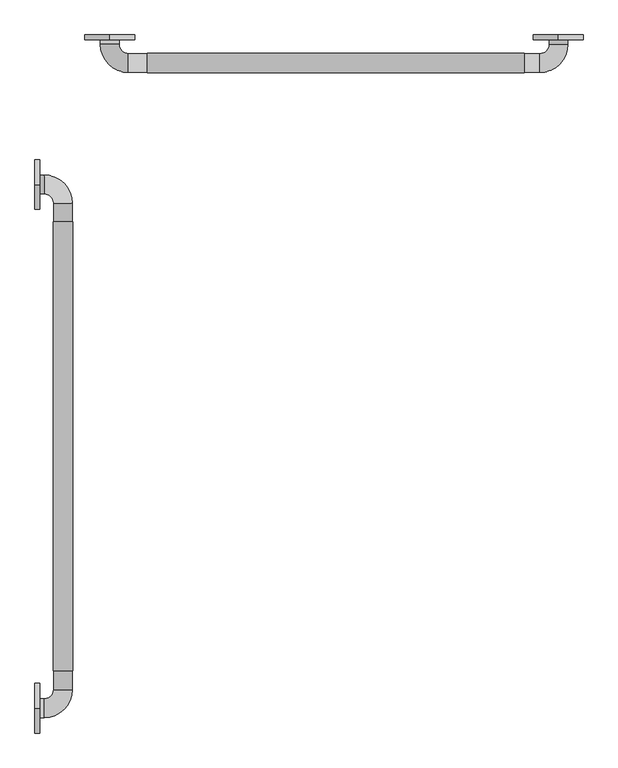
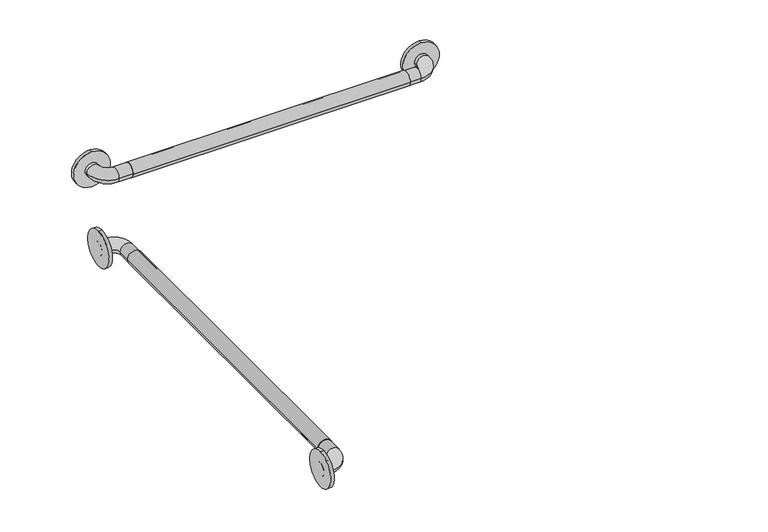
"""IFC4 building model written with IfcOpenShell, lengths in millimetres: proxy geometry."""

import ifcopenshell
import ifcopenshell.guid

model = None  # the IFC model being written
_history = None  # IfcOwnerHistory: only IFC2X3 demands one
_inside = {}  # id of a spatial element -> (the spatial element, [elements in it])
_under = {}  # id of a project, library or spatial element -> (it, [spatial elements below it])
_declared = {}  # id of a project -> (the project, [libraries it declares])
_typed = {}  # id of a type object -> (the type object, [elements of that type])
_made_of = {}  # id of a material, layer set ... -> (it, [elements and type objects made of it])


def new_model(schema):
    """Start an empty IFC model of exactly this schema.

    Asked for "IFC4X3", IfcOpenShell would pick the latest addendum, in which some entities
    have other attributes; the version numbers below select the first issue.
    IFC2X3 requires an IfcOwnerHistory on every rooted entity: one is made here for all.
    """
    global model, _history
    if schema == "IFC4X3":
        model = ifcopenshell.file(schema_version=(4, 3, 0, 0))
    else:
        model = ifcopenshell.file(schema=schema)
    _inside.clear()
    _under.clear()
    _declared.clear()
    _typed.clear()
    _made_of.clear()
    _history = None
    if model.schema == "IFC2X3":
        org = make("IfcOrganization", Name="unknown")
        user = make(
            "IfcPersonAndOrganization",
            ThePerson=make("IfcPerson", FamilyName="unknown"),
            TheOrganization=org,
        )
        app = make(
            "IfcApplication",
            ApplicationDeveloper=org,
            Version="unknown",
            ApplicationFullName="unknown",
            ApplicationIdentifier="unknown",
        )
        _history = make(
            "IfcOwnerHistory",
            OwningUser=user,
            OwningApplication=app,
            ChangeAction="ADDED",
            CreationDate=0,
        )
    return model


def make(cls, **values):
    """One entity of the class cls with the attributes given. An attribute that is None is left unset."""
    return model.create_entity(
        cls, **{name: value for name, value in values.items() if value is not None}
    )


def rooted(cls, **values):
    """An entity with a GlobalId (a new one), such as an element, a storey or a relation."""
    return make(cls, GlobalId=ifcopenshell.guid.new(), OwnerHistory=_history, **values)


def si_unit(unit_type, name, prefix=None):
    """IfcSIUnit, for example si_unit("LENGTHUNIT", "METRE", prefix="MILLI")."""
    return make("IfcSIUnit", UnitType=unit_type, Prefix=prefix, Name=name)


def assignment(units):
    """IfcUnitAssignment: the units of a project."""
    return None if units is None else make("IfcUnitAssignment", Units=units)


def point(xyz):
    """IfcCartesianPoint."""
    return None if xyz is None else make("IfcCartesianPoint", Coordinates=xyz)


def direction(xyz):
    """IfcDirection."""
    return None if xyz is None else make("IfcDirection", DirectionRatios=xyz)


def frame(location, z_axis=None, x_axis=None):
    """IfcAxis2Placement3D, a coordinate frame: its origin and axes. An axis left out is left unset."""
    return make(
        "IfcAxis2Placement3D",
        Location=point(location),
        Axis=direction(z_axis),
        RefDirection=direction(x_axis),
    )


def frame_2d(location, x_axis=None):
    """IfcAxis2Placement2D, a coordinate frame in the plane: its origin and x axis."""
    return make(
        "IfcAxis2Placement2D", Location=point(location), RefDirection=direction(x_axis)
    )


def origin():
    """The frame at (0, 0, 0) with its axes left unset."""
    return frame((0.0, 0.0, 0.0))


def place(relative_to, where):
    """IfcLocalPlacement: puts the frame where relative to a parent placement (None: the world)."""
    return make(
        "IfcLocalPlacement", PlacementRelTo=relative_to, RelativePlacement=where
    )


def context(
    kind, dimensions, precision=None, world=None, true_north=None, identifier=None
):
    """IfcGeometricRepresentationContext, for example the 3D "Model" context."""
    return make(
        "IfcGeometricRepresentationContext",
        ContextIdentifier=identifier,
        ContextType=kind,
        CoordinateSpaceDimension=dimensions,
        Precision=precision,
        WorldCoordinateSystem=world,
        TrueNorth=true_north,
    )


def project(units=None, contexts=None):
    """IfcProject with its units and contexts."""
    return rooted(
        "IfcProject",
        Name="project",
        RepresentationContexts=contexts,
        UnitsInContext=assignment(units),
    )


def spatial(cls, under=None, at=None, **own):
    """A site, building, storey or space (cls), placed at a placement, below another one or the project."""
    s = rooted(cls, ObjectPlacement=at, **own)
    if under is not None:
        _under.setdefault(under.id(), (under, []))[1].append(s)
    return s


def circle_curve(where, radius):
    """IfcCircle in the frame where."""
    return make("IfcCircle", Position=where, Radius=radius)


def ellipse_curve(where, semi_axis1, semi_axis2):
    """IfcEllipse in the frame where."""
    return make(
        "IfcEllipse", Position=where, SemiAxis1=semi_axis1, SemiAxis2=semi_axis2
    )


def trimmed(basis, trim1, trim2, sense, master):
    """IfcTrimmedCurve: the piece of a basis curve between two trims."""
    return make(
        "IfcTrimmedCurve",
        BasisCurve=basis,
        Trim1=trim1,
        Trim2=trim2,
        SenseAgreement=sense,
        MasterRepresentation=master,
    )


def segment(curve, same_sense, transition):
    """IfcCompositeCurveSegment."""
    return make(
        "IfcCompositeCurveSegment",
        Transition=transition,
        SameSense=same_sense,
        ParentCurve=curve,
    )


def composite_curve(segments, self_intersect=None):
    """IfcCompositeCurve: segments joined end to end."""
    return make("IfcCompositeCurve", Segments=segments, SelfIntersect=self_intersect)


def outline(outer, holes=None, kind="AREA"):
    """IfcArbitraryClosedProfileDef: a profile drawn as a closed curve; with holes, ...WithVoids."""
    if holes is None:
        return make("IfcArbitraryClosedProfileDef", ProfileType=kind, OuterCurve=outer)
    return make(
        "IfcArbitraryProfileDefWithVoids",
        ProfileType=kind,
        OuterCurve=outer,
        InnerCurves=holes,
    )


def extrude(swept, where, along, depth):
    """IfcExtrudedAreaSolid: the profile swept, set in the frame where, extruded along a direction by depth."""
    return make(
        "IfcExtrudedAreaSolid",
        SweptArea=swept,
        Position=where,
        ExtrudedDirection=direction(along),
        Depth=depth,
    )


def shape(context_of_items, identifier, shape_type, items):
    """IfcShapeRepresentation: the items that make up one representation, for example the "Body"."""
    return make(
        "IfcShapeRepresentation",
        ContextOfItems=context_of_items,
        RepresentationIdentifier=identifier,
        RepresentationType=shape_type,
        Items=items,
    )


def source(mapping_origin, context_of_items, identifier, shape_type, items):
    """IfcRepresentationMap: a shape defined once, which mapped items show again and again."""
    return make(
        "IfcRepresentationMap",
        MappingOrigin=mapping_origin,
        MappedRepresentation=shape(context_of_items, identifier, shape_type, items),
    )


def transform(
    local_origin,
    x_axis=None,
    y_axis=None,
    z_axis=None,
    scale=None,
    scale2=None,
    scale3=None,
    uniform=True,
):
    """IfcCartesianTransformationOperator3D, or its non-uniform kind. x_axis, y_axis, z_axis: its Axis1, 2, 3."""
    if uniform:
        return make(
            "IfcCartesianTransformationOperator3D",
            Axis1=direction(x_axis),
            Axis2=direction(y_axis),
            LocalOrigin=point(local_origin),
            Scale=scale,
            Axis3=direction(z_axis),
        )
    return make(
        "IfcCartesianTransformationOperator3DnonUniform",
        Axis1=direction(x_axis),
        Axis2=direction(y_axis),
        LocalOrigin=point(local_origin),
        Scale=scale,
        Axis3=direction(z_axis),
        Scale2=scale2,
        Scale3=scale3,
    )


def mapped(mapping_source, mapping_target):
    """IfcMappedItem: shows the shape of a source again, moved by a transform."""
    return make(
        "IfcMappedItem", MappingSource=mapping_source, MappingTarget=mapping_target
    )


def made_of(thing, what):
    """Note that an element or type object is made of a material, layer set ...; save() writes the relation."""
    if what is not None:
        _made_of.setdefault(what.id(), (what, []))[1].append(thing)
    return thing


def element(
    cls,
    number,
    at=None,
    inside=None,
    cuts=None,
    type_object=None,
    material=None,
    context=None,
    identifier="Body",
    shape_type=None,
    held_by="IfcProductDefinitionShape",
    body=None,
    shapes=None,
    **own,
):
    """One element of the class cls, such as IfcWall. Its Tag is "e" and its number.

    at: its placement. inside: the storey or other place that contains it. cuts: it is an
    opening in that element (IfcRelVoidsElement). A single representation is given by context,
    identifier, shape_type and body (its items); several are given by shapes. held_by: the class
    of the entity that holds the representations. save() writes the other relations.
    """
    e = rooted(cls, Tag="e%d" % number, ObjectPlacement=at, **own)
    if body is not None:
        shapes = [shape(context, identifier, shape_type, body)]
    if shapes is not None:
        e.Representation = make(held_by, Representations=shapes)
    if inside is not None:
        _inside.setdefault(inside.id(), (inside, []))[1].append(e)
    if cuts is not None:
        rooted(
            "IfcRelVoidsElement", RelatingBuildingElement=cuts, RelatedOpeningElement=e
        )
    if type_object is not None:
        _typed.setdefault(type_object.id(), (type_object, []))[1].append(e)
    return made_of(e, material)


def aggregate(whole, parts):
    """IfcRelAggregates: a whole, such as a stair, and the parts it consists of."""
    return rooted("IfcRelAggregates", RelatingObject=whole, RelatedObjects=parts)


def save(model, path):
    """Write the relations noted so far, then the file.

    IfcRelAggregates (storeys below a building ...), IfcRelContainedInSpatialStructure (elements
    in a storey), IfcRelDefinesByType, IfcRelAssociatesMaterial and IfcRelDeclares: one each for
    every whole, place, type object, material and project.
    """
    for whole, parts in _under.values():
        aggregate(whole, parts)
    for where, things in _inside.values():
        rooted(
            "IfcRelContainedInSpatialStructure",
            RelatedElements=things,
            RelatingStructure=where,
        )
    for kind, things in _typed.values():
        rooted("IfcRelDefinesByType", RelatedObjects=things, RelatingType=kind)
    for what, things in _made_of.values():
        rooted("IfcRelAssociatesMaterial", RelatedObjects=things, RelatingMaterial=what)
    for by, libraries in _declared.values():
        rooted("IfcRelDeclares", RelatingContext=by, RelatedDefinitions=libraries)
    model.write(path)


def plane_surface(at):
    """IfcPlane: the flat surface through the origin of the frame at, square to its z axis."""
    return make("IfcPlane", Position=at)


def cylinder_surface(at, radius):
    """IfcCylindricalSurface: all points at the distance radius from the z axis of the frame at."""
    return make("IfcCylindricalSurface", Position=at, Radius=radius)


def revolved_surface(curve, axis_point, axis_direction):
    """IfcSurfaceOfRevolution: the curve turned about the line through axis_point along axis_direction."""
    return make(
        "IfcSurfaceOfRevolution",
        SweptCurve=make("IfcArbitraryOpenProfileDef", ProfileType="CURVE", Curve=curve),
        AxisPosition=make("IfcAxis1Placement", Location=point(axis_point), Axis=direction(axis_direction)),
    )


def advanced_brep(points, edges, surfaces, faces):
    """IfcAdvancedBrep: a solid bounded by faces that lie on surfaces and meet in shared edges.

    An edge is (start, end): straight between two places in points (the first is 0);
    or (start, end, curve); or (start, end, curve, False) where it runs against its curve.
    A face is (place in surfaces, loops), or (place, loops, False) where it looks against
    its surface's normal. A loop lists edges by number (the first is 1), with a minus sign
    where the edge is run from its end to its start. The first loop is the outer one.
    """
    corners = [point(p) for p in points]
    vertices = [make("IfcVertexPoint", VertexGeometry=c) for c in corners]
    made = []
    for start, end, *more in edges:
        made.append(
            make(
                "IfcEdgeCurve",
                EdgeStart=vertices[start],
                EdgeEnd=vertices[end],
                EdgeGeometry=more[0] if more else make("IfcPolyline", Points=[corners[start], corners[end]]),
                SameSense=more[1] if len(more) > 1 else True,
            )
        )
    hull = []
    for where, loops, *sense in faces:
        bounds = []
        for j, loop in enumerate(loops):
            ring = [make("IfcOrientedEdge", EdgeElement=made[abs(k) - 1], Orientation=k > 0) for k in loop]
            bounds.append(
                make(
                    "IfcFaceOuterBound" if j == 0 else "IfcFaceBound",
                    Bound=make("IfcEdgeLoop", EdgeList=ring),
                    Orientation=True,
                )
            )
        hull.append(make("IfcAdvancedFace", Bounds=bounds, FaceSurface=surfaces[where], SameSense=sense[0] if sense else True))
    return make("IfcAdvancedBrep", Outer=make("IfcClosedShell", CfsFaces=hull))


def generic_models_3e70ca36(model_context):
    return source(origin(), model_context, "Body", "SolidModel", [
        extrude(outline(composite_curve([segment(trimmed(circle_curve(frame_2d((889.0, 57.15)), 19.84375), [point((889.0, 76.99375))], [point((889.0, 37.30625))], False, "CARTESIAN"), True, "CONTINUOUS"), segment(trimmed(circle_curve(frame_2d((889.0, 57.15)), 19.84375), [point((889.0, 37.30625))], [point((889.0, 76.99375))], False, "CARTESIAN"), True, "CONTINUOUS")], self_intersect=False)), frame((0.0, -1357.3125, 0.0), z_axis=(0.0, 1.0, 0.0), x_axis=(0.0, 0.0, 1.0)), (0.0, 0.0, 1.0), 914.4),
        extrude(outline(composite_curve([segment(trimmed(circle_curve(frame_2d((-118.706573, 889.0)), 19.84375), [point((-98.862823, 889.0))], [point((-138.550323, 889.0))], False, "CARTESIAN"), True, "CONTINUOUS"), segment(trimmed(circle_curve(frame_2d((-118.706573, 889.0)), 19.84375), [point((-138.550323, 889.0))], [point((-98.862823, 889.0))], False, "CARTESIAN"), True, "CONTINUOUS")], self_intersect=False)), frame((228.6, 0.0, 0.0), z_axis=(1.0, 0.0, 0.0), x_axis=(0.0, 1.0, 0.0)), (0.0, 0.0, 1.0), 768.35),
        extrude(outline(composite_curve([segment(trimmed(circle_curve(frame_2d((889.0, 1065.9492842)), 50.8), [point((838.2, 1065.9492842))], [point((939.8, 1065.9492842))], False, "CARTESIAN"), True, "CONTINUOUS"), segment(trimmed(circle_curve(frame_2d((889.0, 1065.9492842)), 50.8), [point((939.8, 1065.9492842))], [point((838.2, 1065.9492842))], False, "CARTESIAN"), True, "CONTINUOUS")], self_intersect=False)), frame((0.0, -71.4375, 0.0), z_axis=(0.0, 1.0, 0.0), x_axis=(0.0, 0.0, 1.0)), (0.0, 0.0, 1.0), 9.525),
        extrude(outline(composite_curve([segment(trimmed(circle_curve(frame_2d((889.0, 152.4)), 50.8), [point((838.2, 152.4))], [point((939.8, 152.4))], False, "CARTESIAN"), True, "CONTINUOUS"), segment(trimmed(circle_curve(frame_2d((889.0, 152.4)), 50.8), [point((939.8, 152.4))], [point((838.2, 152.4))], False, "CARTESIAN"), True, "CONTINUOUS")], self_intersect=False)), frame((0.0, -71.4375, 0.0), z_axis=(0.0, 1.0, 0.0), x_axis=(0.0, 0.0, 1.0)), (0.0, 0.0, 1.0), 9.525),
        extrude(outline(composite_curve([segment(trimmed(circle_curve(frame_2d((-366.7125, 889.0)), 50.8), [point((-366.7125, 838.2))], [point((-366.7125, 939.8))], False, "CARTESIAN"), True, "CONTINUOUS"), segment(trimmed(circle_curve(frame_2d((-366.7125, 889.0)), 50.8), [point((-366.7125, 939.8))], [point((-366.7125, 838.2))], False, "CARTESIAN"), True, "CONTINUOUS")], self_intersect=False)), frame((0.0, 0.0, 0.0), z_axis=(1.0, 0.0, 0.0), x_axis=(0.0, 1.0, 0.0)), (0.0, 0.0, 1.0), 9.525),
        extrude(outline(composite_curve([segment(trimmed(circle_curve(frame_2d((-1433.5125, 889.0)), 50.8), [point((-1433.5125, 838.2))], [point((-1433.5125, 939.8))], False, "CARTESIAN"), True, "CONTINUOUS"), segment(trimmed(circle_curve(frame_2d((-1433.5125, 889.0)), 50.8), [point((-1433.5125, 939.8))], [point((-1433.5125, 838.2))], False, "CARTESIAN"), True, "CONTINUOUS")], self_intersect=False)), frame((0.0, 0.0, 0.0), z_axis=(1.0, 0.0, 0.0), x_axis=(0.0, 1.0, 0.0)), (0.0, 0.0, 1.0), 9.525),
        advanced_brep(
        [(1085.85, -61.9125, 889.0), (1047.75, -61.9125, 889.0), (1047.75, -80.9625, 889.0), (1085.85, -80.9625, 889.0), (1028.7, -100.0125, 889.0), (1028.7, -138.1125, 889.0), (190.5, -100.0125, 889.0), (190.5, -138.1125, 889.0), (171.45, -80.9625, 889.0), (133.35, -80.9625, 889.0), (133.35, -61.9125, 889.0), (171.45, -61.9125, 889.0)],
        [
            (0, 1, circle_curve(frame((1066.8, -61.9125, 889.0), z_axis=(0.0, 1.0, 0.0), x_axis=(-1.0, 0.0, 0.0)), 19.05)),
            (1, 0, circle_curve(frame((1066.8, -61.9125, 889.0), z_axis=(0.0, 1.0, 0.0), x_axis=(-1.0, 0.0, 0.0)), 19.05)),
            (1, 2),
            (2, 3, circle_curve(frame((1066.8, -80.9625, 889.0), z_axis=(0.0, 1.0, 0.0), x_axis=(-1.0, 0.0, 0.0)), 19.05)),
            (3, 0),
            (3, 2, circle_curve(frame((1066.8, -80.9625, 889.0), z_axis=(0.0, 1.0, 0.0), x_axis=(-1.0, 0.0, 0.0)), 19.05)),
            (4, 5, circle_curve(frame((1028.7, -119.0625, 889.0), z_axis=(1.0, 0.0, 0.0), x_axis=(0.0, 1.0, 0.0)), 19.05)),
            (5, 3, circle_curve(frame((1028.7, -80.9625, 889.0), z_axis=(0.0, 0.0, 1.0), x_axis=(1.0, 0.0, 0.0)), 57.15)),
            (2, 4, circle_curve(frame((1028.7, -80.9625, 889.0), z_axis=(0.0, 0.0, -1.0), x_axis=(1.0, 0.0, 0.0)), 19.05)),
            (5, 4, circle_curve(frame((1028.7, -119.0625, 889.0), z_axis=(1.0, 0.0, 0.0), x_axis=(0.0, 1.0, 0.0)), 19.05)),
            (4, 6),
            (6, 7, circle_curve(frame((190.5, -119.0625, 889.0), z_axis=(1.0, 0.0, 0.0), x_axis=(0.0, 1.0, 0.0)), 19.05)),
            (7, 5),
            (7, 6, circle_curve(frame((190.5, -119.0625, 889.0), z_axis=(1.0, 0.0, 0.0), x_axis=(0.0, 1.0, 0.0)), 19.05)),
            (8, 9, circle_curve(frame((152.4, -80.9625, 889.0), z_axis=(0.0, -1.0, 0.0), x_axis=(1.0, 0.0, 0.0)), 19.05)),
            (9, 7, circle_curve(frame((190.5, -80.9625, 889.0), z_axis=(0.0, 0.0, 1.0), x_axis=(0.0, -1.0, 0.0)), 57.15)),
            (6, 8, circle_curve(frame((190.5, -80.9625, 889.0), z_axis=(0.0, 0.0, -1.0), x_axis=(0.0, -1.0, 0.0)), 19.05)),
            (9, 8, circle_curve(frame((152.4, -80.9625, 889.0), z_axis=(0.0, -1.0, 0.0), x_axis=(1.0, 0.0, 0.0)), 19.05)),
            (10, 11, circle_curve(frame((152.4, -61.9125, 889.0), z_axis=(0.0, 1.0, 0.0), x_axis=(1.0, 0.0, 0.0)), 19.05)),
            (11, 10, circle_curve(frame((152.4, -61.9125, 889.0), z_axis=(0.0, 1.0, 0.0), x_axis=(1.0, 0.0, 0.0)), 19.05)),
            (8, 11),
            (10, 9),
        ],
        [
            plane_surface(frame((1066.8, -61.9125, 889.0), z_axis=(0.0, 1.0, 0.0), x_axis=(0.0, 0.0, 1.0))),
            cylinder_surface(frame((1066.8, -61.9125, 889.0), z_axis=(0.0, 1.0, 0.0), x_axis=(-1.0, 0.0, 0.0)), 19.05),
            revolved_surface(trimmed(ellipse_curve(frame((1066.8, -80.9625, 889.0), z_axis=(0.0, -1.0, 0.0), x_axis=(-1.0, 0.0, 0.0)), 19.05, 19.05), [point((1085.85, -80.9625, 889.0))], [point((1047.75, -80.9625, 889.0))], True, "CARTESIAN"), (1028.7, -80.9625, 889.0), (0.0, 0.0, 1.0)),
            revolved_surface(trimmed(ellipse_curve(frame((1066.8, -80.9625, 889.0), z_axis=(0.0, -1.0, 0.0), x_axis=(-1.0, 0.0, 0.0)), 19.05, 19.05), [point((1047.75, -80.9625, 889.0))], [point((1085.85, -80.9625, 889.0))], True, "CARTESIAN"), (1028.7, -80.9625, 889.0), (0.0, 0.0, 1.0)),
            cylinder_surface(frame((1028.7, -119.0625, 889.0), z_axis=(1.0, 0.0, 0.0), x_axis=(0.0, 1.0, 0.0)), 19.05),
            revolved_surface(trimmed(ellipse_curve(frame((190.5, -119.0625, 889.0), z_axis=(-1.0, 0.0, 0.0), x_axis=(0.0, 1.0, 0.0)), 19.05, 19.05), [point((190.5, -138.1125, 889.0))], [point((190.5, -100.0125, 889.0))], True, "CARTESIAN"), (190.5, -80.9625, 889.0), (0.0, 0.0, 1.0)),
            revolved_surface(trimmed(ellipse_curve(frame((190.5, -119.0625, 889.0), z_axis=(-1.0, 0.0, 0.0), x_axis=(0.0, 1.0, 0.0)), 19.05, 19.05), [point((190.5, -100.0125, 889.0))], [point((190.5, -138.1125, 889.0))], True, "CARTESIAN"), (190.5, -80.9625, 889.0), (0.0, 0.0, 1.0)),
            plane_surface(frame((152.4, -61.9125, 889.0), z_axis=(0.0, 1.0, 0.0), x_axis=(0.0, 0.0, 1.0))),
            cylinder_surface(frame((152.4, -80.9625, 889.0), z_axis=(0.0, -1.0, 0.0), x_axis=(1.0, 0.0, 0.0)), 19.05),
        ],
        [
            (0, [[1, 2]]),
            (1, [[3, 4, 5, -2]]),
            (1, [[-5, 6, -3, -1]]),
            (2, [[7, 8, -4, 9]]),
            (3, [[10, -9, -6, -8]]),
            (4, [[11, 12, 13, -7]]),
            (4, [[-13, 14, -11, -10]]),
            (5, [[15, 16, -12, 17]]),
            (6, [[18, -17, -14, -16]]),
            (7, [[19, 20]]),
            (8, [[21, -19, 22, -15]]),
            (8, [[-22, -20, -21, -18]]),
        ],
    ),
        advanced_brep(
        [(0.0, -347.6625, 889.0), (0.0, -385.7625, 889.0), (19.05, -385.7625, 889.0), (19.05, -347.6625, 889.0), (38.1, -404.8125, 889.0), (76.2, -404.8125, 889.0), (38.1, -1395.4125, 889.0), (76.2, -1395.4125, 889.0), (19.05, -1414.4625, 889.0), (19.05, -1452.5625, 889.0), (0.0, -1452.5625, 889.0), (0.0, -1414.4625, 889.0)],
        [
            (0, 1, circle_curve(frame((0.0, -366.7125, 889.0), z_axis=(-1.0, 0.0, 0.0), x_axis=(0.0, -1.0, 0.0)), 19.05)),
            (1, 0, circle_curve(frame((0.0, -366.7125, 889.0), z_axis=(-1.0, 0.0, 0.0), x_axis=(0.0, -1.0, 0.0)), 19.05)),
            (1, 2),
            (2, 3, circle_curve(frame((19.05, -366.7125, 889.0), z_axis=(-1.0, 0.0, 0.0), x_axis=(0.0, -1.0, 0.0)), 19.05)),
            (3, 0),
            (3, 2, circle_curve(frame((19.05, -366.7125, 889.0), z_axis=(-1.0, 0.0, 0.0), x_axis=(0.0, -1.0, 0.0)), 19.05)),
            (4, 5, circle_curve(frame((57.15, -404.8125, 889.0), z_axis=(0.0, 1.0, 0.0), x_axis=(-1.0, 0.0, 0.0)), 19.05)),
            (5, 3, circle_curve(frame((19.05, -404.8125, 889.0), z_axis=(0.0, 0.0, 1.0), x_axis=(0.0, 1.0, 0.0)), 57.15)),
            (2, 4, circle_curve(frame((19.05, -404.8125, 889.0), z_axis=(0.0, 0.0, -1.0), x_axis=(0.0, 1.0, 0.0)), 19.05)),
            (5, 4, circle_curve(frame((57.15, -404.8125, 889.0), z_axis=(0.0, 1.0, 0.0), x_axis=(-1.0, 0.0, 0.0)), 19.05)),
            (4, 6),
            (6, 7, circle_curve(frame((57.15, -1395.4125, 889.0), z_axis=(0.0, 1.0, 0.0), x_axis=(-1.0, 0.0, 0.0)), 19.05)),
            (7, 5),
            (7, 6, circle_curve(frame((57.15, -1395.4125, 889.0), z_axis=(0.0, 1.0, 0.0), x_axis=(-1.0, 0.0, 0.0)), 19.05)),
            (8, 9, circle_curve(frame((19.05, -1433.5125, 889.0), z_axis=(1.0, 0.0, 0.0), x_axis=(0.0, 1.0, 0.0)), 19.05)),
            (9, 7, circle_curve(frame((19.05, -1395.4125, 889.0), z_axis=(0.0, 0.0, 1.0), x_axis=(1.0, 0.0, 0.0)), 57.15)),
            (6, 8, circle_curve(frame((19.05, -1395.4125, 889.0), z_axis=(0.0, 0.0, -1.0), x_axis=(1.0, 0.0, 0.0)), 19.05)),
            (9, 8, circle_curve(frame((19.05, -1433.5125, 889.0), z_axis=(1.0, 0.0, 0.0), x_axis=(0.0, 1.0, 0.0)), 19.05)),
            (10, 11, circle_curve(frame((0.0, -1433.5125, 889.0), z_axis=(-1.0, 0.0, 0.0), x_axis=(0.0, 1.0, 0.0)), 19.05)),
            (11, 10, circle_curve(frame((0.0, -1433.5125, 889.0), z_axis=(-1.0, 0.0, 0.0), x_axis=(0.0, 1.0, 0.0)), 19.05)),
            (8, 11),
            (10, 9),
        ],
        [
            plane_surface(frame((0.0, -366.7125, 889.0), z_axis=(-1.0, 0.0, 0.0), x_axis=(0.0, 0.0, 1.0))),
            cylinder_surface(frame((0.0, -366.7125, 889.0), z_axis=(-1.0, 0.0, 0.0), x_axis=(0.0, -1.0, 0.0)), 19.05),
            revolved_surface(trimmed(ellipse_curve(frame((19.05, -366.7125, 889.0), z_axis=(1.0, 0.0, 0.0), x_axis=(0.0, -1.0, 0.0)), 19.05, 19.05), [point((19.05, -347.6625, 889.0))], [point((19.05, -385.7625, 889.0))], True, "CARTESIAN"), (19.05, -404.8125, 889.0), (0.0, 0.0, 1.0)),
            revolved_surface(trimmed(ellipse_curve(frame((19.05, -366.7125, 889.0), z_axis=(1.0, 0.0, 0.0), x_axis=(0.0, -1.0, 0.0)), 19.05, 19.05), [point((19.05, -385.7625, 889.0))], [point((19.05, -347.6625, 889.0))], True, "CARTESIAN"), (19.05, -404.8125, 889.0), (0.0, 0.0, 1.0)),
            cylinder_surface(frame((57.15, -404.8125, 889.0), z_axis=(0.0, 1.0, 0.0), x_axis=(-1.0, 0.0, 0.0)), 19.05),
            revolved_surface(trimmed(ellipse_curve(frame((57.15, -1395.4125, 889.0), z_axis=(0.0, -1.0, 0.0), x_axis=(-1.0, 0.0, 0.0)), 19.05, 19.05), [point((76.2, -1395.4125, 889.0))], [point((38.1, -1395.4125, 889.0))], True, "CARTESIAN"), (19.05, -1395.4125, 889.0), (0.0, 0.0, 1.0)),
            revolved_surface(trimmed(ellipse_curve(frame((57.15, -1395.4125, 889.0), z_axis=(0.0, -1.0, 0.0), x_axis=(-1.0, 0.0, 0.0)), 19.05, 19.05), [point((38.1, -1395.4125, 889.0))], [point((76.2, -1395.4125, 889.0))], True, "CARTESIAN"), (19.05, -1395.4125, 889.0), (0.0, 0.0, 1.0)),
            plane_surface(frame((0.0, -1433.5125, 889.0), z_axis=(-1.0, 0.0, 0.0), x_axis=(0.0, 0.0, 1.0))),
            cylinder_surface(frame((19.05, -1433.5125, 889.0), z_axis=(1.0, 0.0, 0.0), x_axis=(0.0, 1.0, 0.0)), 19.05),
        ],
        [
            (0, [[1, 2]]),
            (1, [[3, 4, 5, -2]]),
            (1, [[-5, 6, -3, -1]]),
            (2, [[7, 8, -4, 9]]),
            (3, [[10, -9, -6, -8]]),
            (4, [[11, 12, 13, -7]]),
            (4, [[-13, 14, -11, -10]]),
            (5, [[15, 16, -12, 17]]),
            (6, [[18, -17, -14, -16]]),
            (7, [[19, 20]]),
            (8, [[21, -19, 22, -15]]),
            (8, [[-22, -20, -21, -18]]),
        ],
    ),
    ])


if __name__ == "__main__":
    model = new_model("IFC4")
    model_context = context("Model", 3, world=origin())
    ifc_project = project(units=[si_unit("LENGTHUNIT", "METRE", prefix="MILLI")], contexts=[model_context])
    site = spatial("IfcSite", under=ifc_project)
    building = spatial("IfcBuilding", under=site)
    placement = place(None, origin())
    generic_models_shape = generic_models_3e70ca36(model_context)
    element("IfcBuildingElementProxy", 1, Name="Generic Models", at=placement, inside=building, context=model_context, shape_type="MappedRepresentation", body=[
        mapped(generic_models_shape, transform((0.0, 0.0, 0.0), x_axis=(1.0, 0.0, 0.0), y_axis=(0.0, 1.0, 0.0), z_axis=(0.0, 0.0, 1.0))),
    ])
    save(model, "model.ifc")
